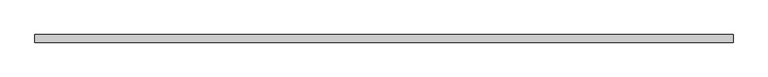
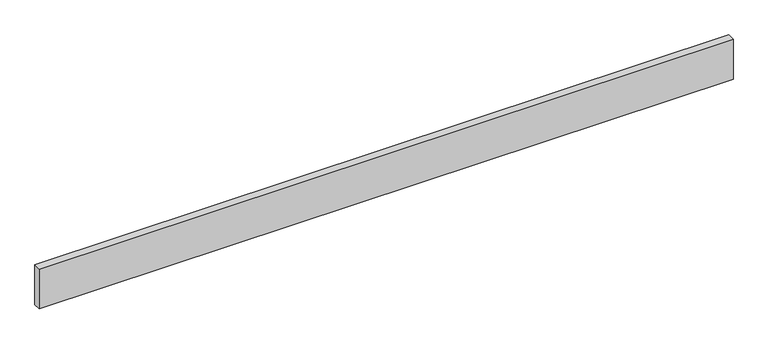
"""IFC4 building model written with IfcOpenShell, lengths in millimetres: beam geometry."""

from ifc_helpers import new_model, si_unit, frame, origin, place, context, project, spatial, polyline, outline, extrude, source, transform, mapped, element, save


def beam_0a02d16e(model_context):
    return source(origin(), model_context, "Body", "SweptSolid", [
        extrude(outline(polyline([(1646.25, -18.0), (-1646.25, -18.0), (-1646.25, 18.0), (1646.25, 18.0), (1646.25, -18.0)])), frame((0.0, 0.0, -100.0), z_axis=(0.0, 0.0, 1.0), x_axis=(1.0, 0.0, 0.0)), (0.0, 0.0, 1.0), 200.0),
    ])


if __name__ == "__main__":
    model = new_model("IFC4")
    model_context = context("Model", 3, world=origin())
    ifc_project = project(units=[si_unit("LENGTHUNIT", "METRE", prefix="MILLI")], contexts=[model_context])
    site = spatial("IfcSite", under=ifc_project)
    building = spatial("IfcBuilding", under=site)
    placement = place(None, origin())
    beam_shape = beam_0a02d16e(model_context)
    element("IfcBeam", 1, at=placement, inside=building, context=model_context, shape_type="MappedRepresentation", body=[
        mapped(beam_shape, transform((0.0, 0.0, 0.0), x_axis=(1.0, 0.0, 0.0), y_axis=(0.0, 1.0, 0.0), z_axis=(0.0, 0.0, 1.0))),
    ])
    save(model, "model.ifc")
